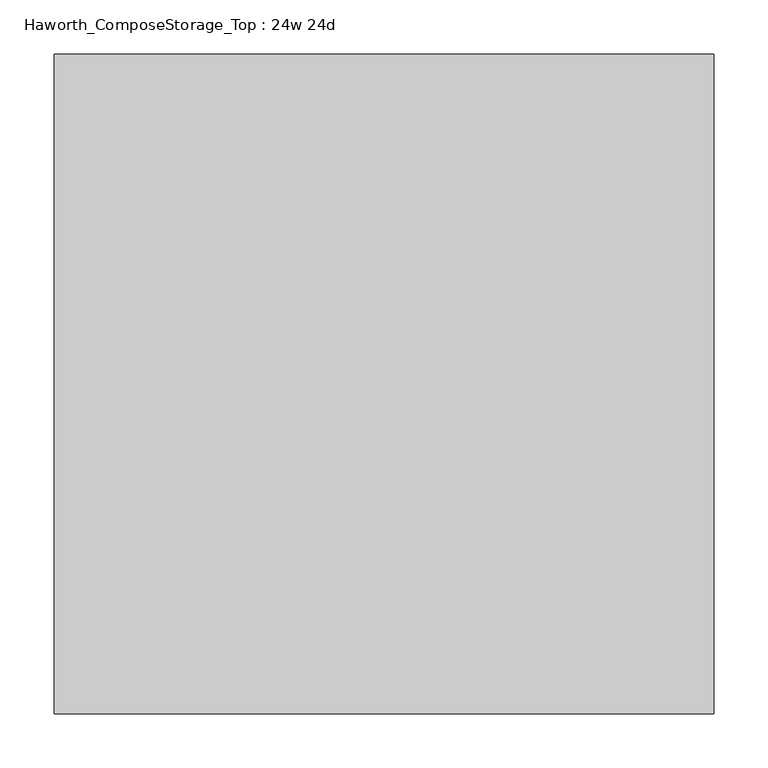
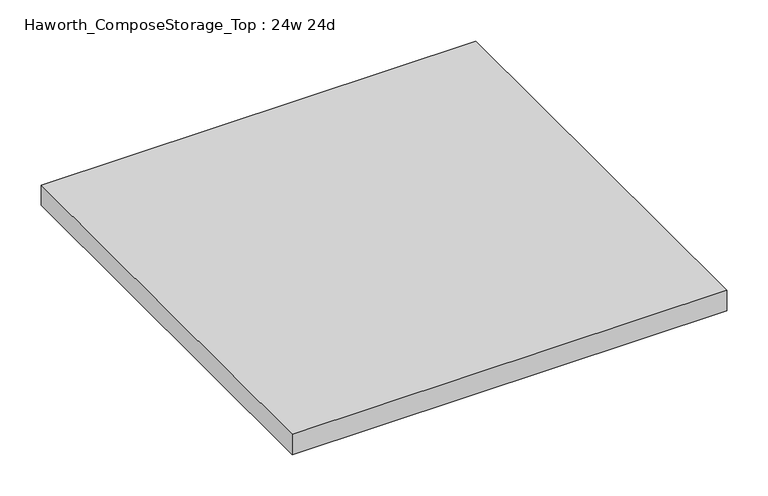
"""IFC4 building model written with IfcOpenShell, lengths in millimetres: furniture geometry, Haworth_ComposeStorage_Top : 24w 24d."""

from ifc_helpers import new_model, si_unit, frame, origin, place, context, project, spatial, polyline, outline, extrude, source, transform, mapped, element, save


def haworth_composestorage_top_24w_24d_b38b6edb(model_context):
    return source(origin(), model_context, "Body", "SweptSolid", [
        extrude(outline(polyline([(304.8, 304.8), (304.8, -304.8), (-304.8, -304.8), (-304.8, 304.8), (304.8, 304.8)])), frame((0.0, 0.0, 706.4375), z_axis=(0.0, 0.0, 1.0), x_axis=(1.0, 0.0, 0.0)), (0.0, 0.0, 1.0), 30.1625),
    ])


if __name__ == "__main__":
    model = new_model("IFC4")
    model_context = context("Model", 3, world=origin())
    ifc_project = project(units=[si_unit("LENGTHUNIT", "METRE", prefix="MILLI")], contexts=[model_context])
    site = spatial("IfcSite", under=ifc_project)
    building = spatial("IfcBuilding", under=site)
    placement = place(None, origin())
    haworth_composestorage_top_24w_24d_shape = haworth_composestorage_top_24w_24d_b38b6edb(model_context)
    element("IfcFurniture", 1, ObjectType="Haworth_ComposeStorage_Top : 24w 24d", at=placement, inside=building, context=model_context, shape_type="MappedRepresentation", body=[
        mapped(haworth_composestorage_top_24w_24d_shape, transform((0.0, 0.0, 0.0), x_axis=(1.0, 0.0, 0.0), y_axis=(0.0, 1.0, 0.0), z_axis=(0.0, 0.0, 1.0))),
    ])
    save(model, "model.ifc")
